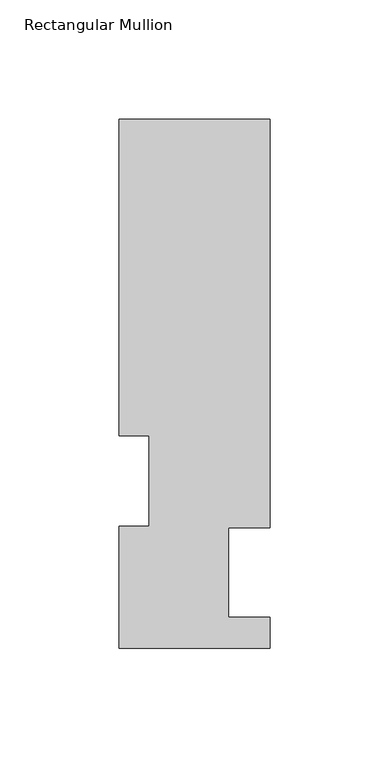
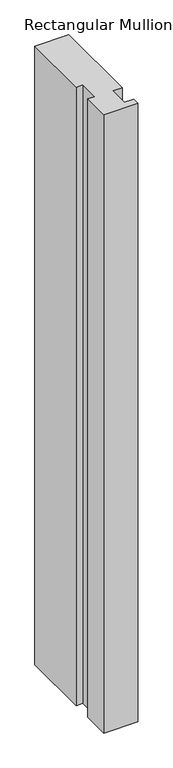
"""IFC4 building model written with IfcOpenShell, lengths in millimetres: member geometry, Rectangular Mullion."""

from ifc_helpers import new_model, si_unit, frame, origin, place, context, project, spatial, polyline, outline, extrude, source, transform, mapped, element, save


def rectangular_mullion_5f3fab7a(model_context):
    return source(origin(), model_context, "Body", "SweptSolid", [
        extrude(outline(polyline([(31.7500002, 222.5381313), (31.7500002, 50.8087295), (14.2747994, 50.8087295), (14.2747994, 13.3945312), (31.7500002, 13.3945312), (31.7500002, 0.2119312), (-31.7499998, 0.2119312), (-31.7499998, 51.4945316), (-19.0499998, 51.4945316), (-19.0499998, 89.5945313), (-31.7499998, 89.5945313), (-31.7499998, 222.5381313), (31.7500002, 222.5381313)])), frame((0.0, 0.0, -1219.2), z_axis=(0.0, 0.0, 1.0), x_axis=(1.0, 0.0, 0.0)), (0.0, 0.0, 1.0), 1219.2),
    ])


if __name__ == "__main__":
    model = new_model("IFC4")
    model_context = context("Model", 3, world=origin())
    ifc_project = project(units=[si_unit("LENGTHUNIT", "METRE", prefix="MILLI")], contexts=[model_context])
    site = spatial("IfcSite", under=ifc_project)
    building = spatial("IfcBuilding", under=site)
    placement = place(None, origin())
    rectangular_mullion_shape = rectangular_mullion_5f3fab7a(model_context)
    element("IfcMember", 1, ObjectType="Rectangular Mullion", at=placement, inside=building, context=model_context, shape_type="MappedRepresentation", body=[
        mapped(rectangular_mullion_shape, transform((0.0, 0.0, 0.0), x_axis=(1.0, 0.0, 0.0), y_axis=(0.0, 1.0, 0.0), z_axis=(0.0, 0.0, 1.0))),
    ])
    save(model, "model.ifc")
